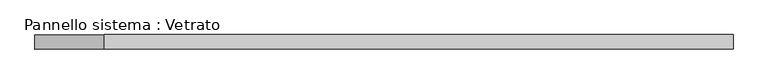
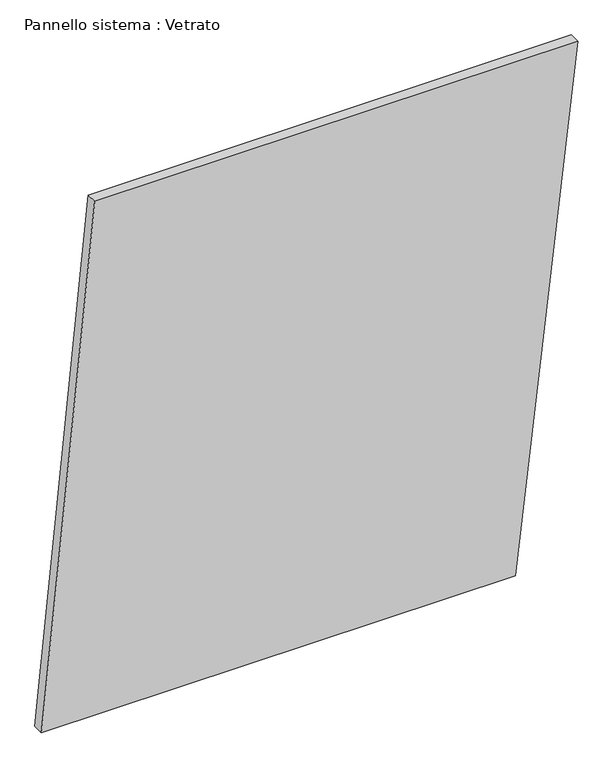
"""IFC4 building model written with IfcOpenShell, lengths in millimetres: plate geometry, Pannello sistema : Vetrato."""

from ifc_helpers import new_model, si_unit, frame, origin, place, context, project, spatial, polyline, outline, extrude, source, transform, mapped, element, save


def pannello_sistema_vetrato_7dc93a4a(model_context):
    return source(origin(), model_context, "Body", "SweptSolid", [
        extrude(outline(polyline([(0.8254652, -721.3350073), (0.0, 553.5610483), (1460.0375642, 721.3350073), (1460.0375677, -577.9069195), (0.8254652, -721.3350073)])), frame((0.0, -15.0, 0.0), z_axis=(0.0, 1.0, 0.0), x_axis=(0.0, 0.0, 1.0)), (0.0, 0.0, 1.0), 30.0),
    ])


if __name__ == "__main__":
    model = new_model("IFC4")
    model_context = context("Model", 3, world=origin())
    ifc_project = project(units=[si_unit("LENGTHUNIT", "METRE", prefix="MILLI")], contexts=[model_context])
    site = spatial("IfcSite", under=ifc_project)
    building = spatial("IfcBuilding", under=site)
    placement = place(None, origin())
    pannello_sistema_vetrato_shape = pannello_sistema_vetrato_7dc93a4a(model_context)
    element("IfcPlate", 1, ObjectType="Pannello sistema : Vetrato", at=placement, inside=building, context=model_context, shape_type="MappedRepresentation", body=[
        mapped(pannello_sistema_vetrato_shape, transform((0.0, 0.0, 0.0), x_axis=(1.0, 0.0, 0.0), y_axis=(0.0, 1.0, 0.0), z_axis=(0.0, 0.0, 1.0))),
    ])
    save(model, "model.ifc")
